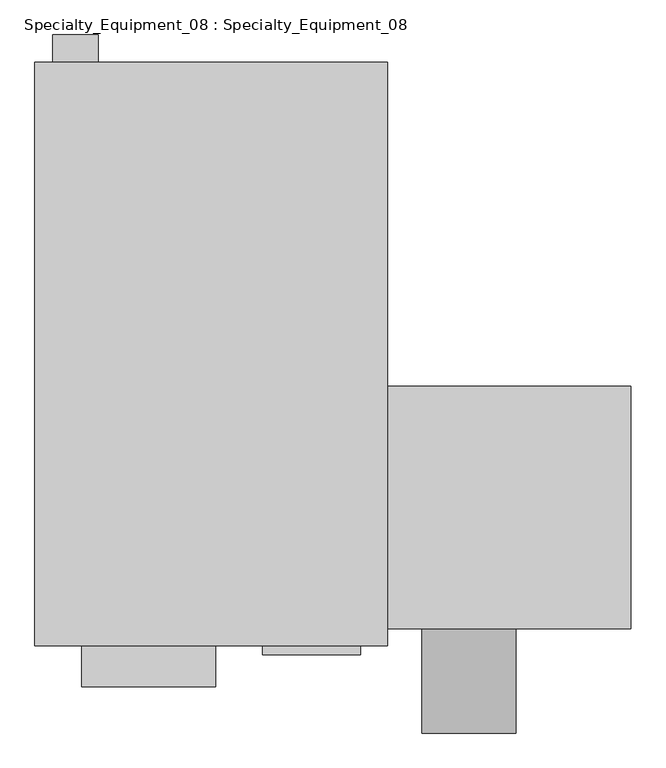
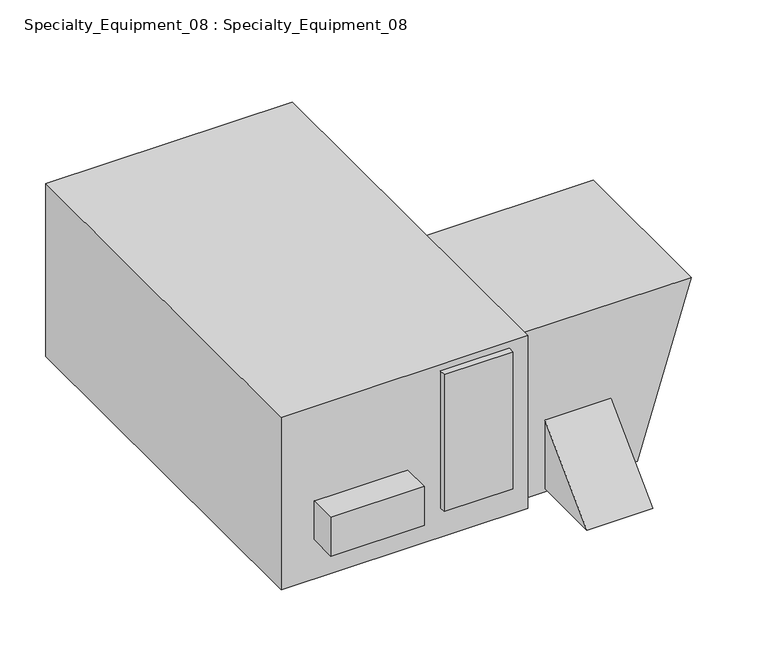
"""IFC4 building model written with IfcOpenShell, lengths in millimetres: proxy geometry, Specialty_Equipment_08 : Specialty_Equipment_08."""

from ifc_helpers import new_model, si_unit, frame, origin, place, context, project, spatial, polyline, outline, extrude, source, transform, mapped, element, save


def specialty_equipment_08_specialty_equipment_08_7626c28f(model_context):
    return source(origin(), model_context, "Body", "SweptSolid", [
        extrude(outline(polyline([(358.8817395, 1037.9693939), (358.8817395, -847.9806061), (-781.6805739, -847.9806061), (-781.6805739, 1037.9693939), (358.8817395, 1037.9693939)])), frame((0.0, 0.0, 162.5663322), z_axis=(0.0, 0.0, 1.0), x_axis=(1.0, 0.0, 0.0)), (0.0, 0.0, 1.0), 845.6112222),
        extrude(outline(polyline([(-577.3172712, 1037.9693939), (-723.3672712, 1037.9693939), (-723.3672712, 1126.8693939), (-577.3172712, 1126.8693939), (-577.3172712, 1037.9693939)])), frame((0.0, 0.0, 631.0086657), z_axis=(0.0, 0.0, 1.0), x_axis=(1.0, 0.0, 0.0)), (0.0, 0.0, 1.0), 252.3928672),
        extrude(outline(polyline([(-197.6601978, -847.9806061), (-197.6601978, -981.3306061), (-629.4601978, -981.3306061), (-629.4601978, -847.9806061), (-197.6601978, -847.9806061)])), frame((0.0, 0.0, 356.0794359), z_axis=(0.0, 0.0, 1.0), x_axis=(1.0, 0.0, 0.0)), (0.0, 0.0, 1.0), 188.9851077),
        extrude(outline(polyline([(272.4052859, -847.9806061), (272.4052859, -877.7934042), (-45.0947141, -877.7934042), (-45.0947141, -847.9806061), (272.4052859, -847.9806061)])), frame((0.0, 0.0, 307.8562776), z_axis=(0.0, 0.0, 1.0), x_axis=(1.0, 0.0, 0.0)), (0.0, 0.0, 1.0), 670.2991379),
        extrude(outline(polyline([(985.4298579, 1146.2817395), (985.4298579, 358.8817395), (171.7101411, 358.8817395), (171.7101411, 897.5026559), (985.4298579, 1146.2817395)])), frame((0.0, -794.0056061, 0.0), z_axis=(0.0, 1.0, 0.0), x_axis=(0.0, 0.0, 1.0)), (0.0, 0.0, 1.0), 784.1915547),
        extrude(outline(polyline([(-1130.5556061, 187.9663322), (-794.0056061, 524.5163322), (-794.0056061, 187.9663322), (-1130.5556061, 187.9663322)])), frame((470.0067395, 0.0, 0.0), z_axis=(1.0, 0.0, 0.0), x_axis=(0.0, 1.0, 0.0)), (0.0, 0.0, 1.0), 304.8),
    ])


if __name__ == "__main__":
    model = new_model("IFC4")
    model_context = context("Model", 3, world=origin())
    ifc_project = project(units=[si_unit("LENGTHUNIT", "METRE", prefix="MILLI")], contexts=[model_context])
    site = spatial("IfcSite", under=ifc_project)
    building = spatial("IfcBuilding", under=site)
    placement = place(None, origin())
    specialty_equipment_08_specialty_equipment_08_shape = specialty_equipment_08_specialty_equipment_08_7626c28f(model_context)
    element("IfcBuildingElementProxy", 1, Name="Specialty_Equipment_08 : Specialty_Equipment_08", ObjectType="Specialty_Equipment_08 : Specialty_Equipment_08", at=placement, inside=building, context=model_context, shape_type="MappedRepresentation", body=[
        mapped(specialty_equipment_08_specialty_equipment_08_shape, transform((0.0, 0.0, 0.0), x_axis=(1.0, 0.0, 0.0), y_axis=(0.0, 1.0, 0.0), z_axis=(0.0, 0.0, 1.0))),
    ])
    save(model, "model.ifc")
